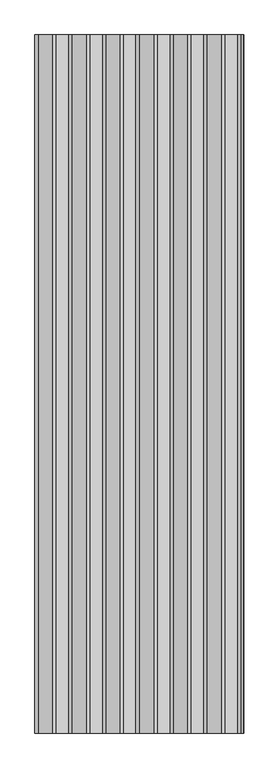
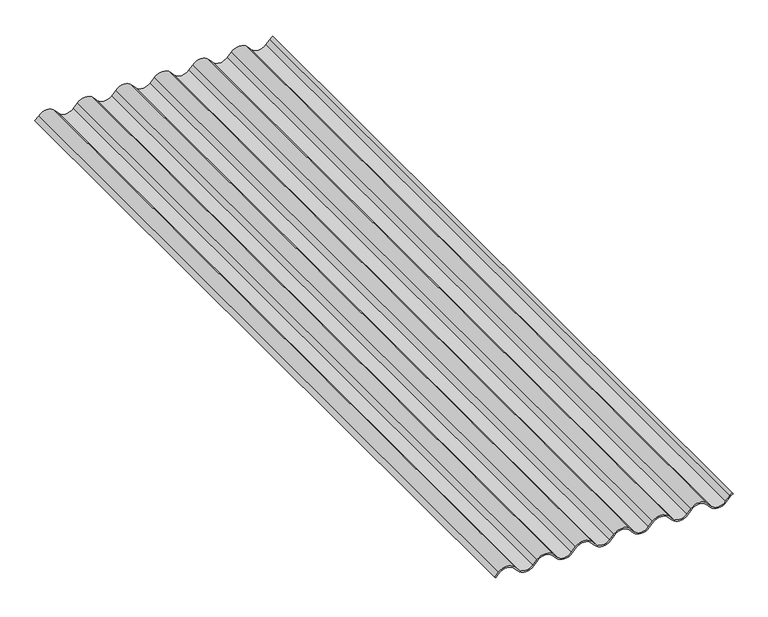
"""IFC4 building model written with IfcOpenShell, lengths in millimetres: proxy geometry."""

from ifc_helpers import new_model, si_unit, point, frame, frame_2d, origin, place, context, project, spatial, polyline, circle_curve, trimmed, segment, composite_curve, outline, extrude, source, transform, mapped, element, save


def generic_models_65eacd85(model_context):
    return source(origin(), model_context, "Body", "SweptSolid", [
        extrude(outline(composite_curve([segment(trimmed(circle_curve(frame_2d((50.0, 501.6424737)), 44.0), [point((20.2740309, 534.0826765))], [point((20.2740309, 469.2022709))], True, "CARTESIAN"), True, "CONTINUOUS"), segment(polyline([(20.2740309, 469.2022709), (40.4551006, 450.7436179)]), True, "CONTINUOUS"), segment(trimmed(circle_curve(frame_2d((6.0, 413.1424737)), 51.0), [point((40.4551006, 450.7436179))], [point((40.4551006, 375.5413295))], False, "CARTESIAN"), True, "CONTINUOUS"), segment(polyline([(40.4551006, 375.5413295), (20.2740309, 357.0826765)]), True, "CONTINUOUS"), segment(trimmed(circle_curve(frame_2d((50.0, 324.6424737)), 44.0), [point((20.2740309, 357.0826765))], [point((20.2740309, 292.2022709))], True, "CARTESIAN"), True, "CONTINUOUS"), segment(polyline([(20.2740309, 292.2022709), (40.4551006, 273.7436179)]), True, "CONTINUOUS"), segment(trimmed(circle_curve(frame_2d((6.0, 236.1424737)), 51.0), [point((40.4551006, 273.7436179))], [point((40.4551006, 198.5413295))], False, "CARTESIAN"), True, "CONTINUOUS"), segment(polyline([(40.4551006, 198.5413295), (20.2740309, 180.0826765)]), True, "CONTINUOUS"), segment(trimmed(circle_curve(frame_2d((50.0, 147.6424737)), 44.0), [point((20.2740309, 180.0826765))], [point((20.2740309, 115.2022709))], True, "CARTESIAN"), True, "CONTINUOUS"), segment(polyline([(20.2740309, 115.2022709), (40.4551006, 96.7436179)]), True, "CONTINUOUS"), segment(trimmed(circle_curve(frame_2d((6.0, 59.1424737)), 51.0), [point((40.4551006, 96.7436179))], [point((40.4551006, 21.5413295))], False, "CARTESIAN"), True, "CONTINUOUS"), segment(polyline([(40.4551006, 21.5413295), (22.370264, 5.0), (18.3207659, 9.4273655), (36.4035168, 25.9667873)]), True, "CONTINUOUS"), segment(trimmed(circle_curve(frame_2d((6.0, 59.1424737)), 45.0), [point((36.4035168, 25.9667873))], [point((36.4035168, 92.31816))], True, "CARTESIAN"), True, "CONTINUOUS"), segment(polyline([(36.4035168, 92.31816), (16.222575, 110.7766961)]), True, "CONTINUOUS"), segment(trimmed(circle_curve(frame_2d((50.0, 147.6424737)), 50.0), [point((16.222575, 110.7766961))], [point((16.222575, 184.5082513))], False, "CARTESIAN"), True, "CONTINUOUS"), segment(polyline([(16.222575, 184.5082513), (36.4035168, 202.9667873)]), True, "CONTINUOUS"), segment(trimmed(circle_curve(frame_2d((6.0, 236.1424737)), 45.0), [point((36.4035168, 202.9667873))], [point((36.4035168, 269.31816))], True, "CARTESIAN"), True, "CONTINUOUS"), segment(polyline([(36.4035168, 269.31816), (16.222575, 287.7766961)]), True, "CONTINUOUS"), segment(trimmed(circle_curve(frame_2d((50.0, 324.6424737)), 50.0), [point((16.222575, 287.7766961))], [point((16.222575, 361.5082513))], False, "CARTESIAN"), True, "CONTINUOUS"), segment(polyline([(16.222575, 361.5082513), (36.4035168, 379.9667873)]), True, "CONTINUOUS"), segment(trimmed(circle_curve(frame_2d((6.0, 413.1424737)), 45.0), [point((36.4035168, 379.9667873))], [point((36.4035168, 446.31816))], True, "CARTESIAN"), True, "CONTINUOUS"), segment(polyline([(36.4035168, 446.31816), (16.222575, 464.7766961)]), True, "CONTINUOUS"), segment(trimmed(circle_curve(frame_2d((50.0, 501.6424737)), 50.0), [point((16.222575, 464.7766961))], [point((16.222575, 538.5082513))], False, "CARTESIAN"), True, "CONTINUOUS"), segment(polyline([(16.222575, 538.5082513), (36.4035168, 556.9667873)]), True, "CONTINUOUS"), segment(trimmed(circle_curve(frame_2d((6.0, 590.1424737)), 45.0), [point((36.4035168, 556.9667873))], [point((36.4035168, 623.31816))], True, "CARTESIAN"), True, "CONTINUOUS"), segment(polyline([(36.4035168, 623.31816), (16.222575, 641.7766961)]), True, "CONTINUOUS"), segment(trimmed(circle_curve(frame_2d((50.0, 678.6424737)), 50.0), [point((16.222575, 641.7766961))], [point((16.222575, 715.5082513))], False, "CARTESIAN"), True, "CONTINUOUS"), segment(polyline([(16.222575, 715.5082513), (36.4035168, 733.9667873)]), True, "CONTINUOUS"), segment(trimmed(circle_curve(frame_2d((6.0, 767.1424737)), 45.0), [point((36.4035168, 733.9667873))], [point((36.4035168, 800.31816))], True, "CARTESIAN"), True, "CONTINUOUS"), segment(polyline([(36.4035168, 800.31816), (16.222575, 818.7766961)]), True, "CONTINUOUS"), segment(trimmed(circle_curve(frame_2d((50.0, 855.6424737)), 50.0), [point((16.222575, 818.7766961))], [point((16.222575, 892.5082513))], False, "CARTESIAN"), True, "CONTINUOUS"), segment(polyline([(16.222575, 892.5082513), (36.4035168, 910.9667873)]), True, "CONTINUOUS"), segment(trimmed(circle_curve(frame_2d((6.0, 944.1424737)), 45.0), [point((36.4035168, 910.9667873))], [point((36.4035166, 977.3181602))], True, "CARTESIAN"), True, "CONTINUOUS"), segment(polyline([(36.4035166, 977.3181602), (16.2185316, 995.7803977)]), True, "CONTINUOUS"), segment(trimmed(circle_curve(frame_2d((49.9959568, 1032.6461752)), 50.0), [point((16.2185316, 995.7803977))], [point((16.2185318, 1069.5119528))], False, "CARTESIAN"), True, "CONTINUOUS"), segment(polyline([(16.2185318, 1069.5119528), (36.3994737, 1087.9704888)]), True, "CONTINUOUS"), segment(trimmed(circle_curve(frame_2d((5.9959568, 1121.1461752)), 45.0), [point((36.3994737, 1087.9704888))], [point((45.7179819, 1100.0))], True, "CARTESIAN"), True, "CONTINUOUS"), segment(polyline([(45.7179819, 1100.0), (51.0142519, 1097.18051)]), True, "CONTINUOUS"), segment(trimmed(circle_curve(frame_2d((5.9959568, 1121.1461752)), 51.0), [point((51.0142519, 1097.18051))], [point((40.4510574, 1083.545031))], False, "CARTESIAN"), True, "CONTINUOUS"), segment(polyline([(40.4510574, 1083.545031), (20.2699877, 1065.086378)]), True, "CONTINUOUS"), segment(trimmed(circle_curve(frame_2d((49.9959568, 1032.6461752)), 44.0), [point((20.2699877, 1065.086378))], [point((20.2699877, 1000.2059723))], True, "CARTESIAN"), True, "CONTINUOUS"), segment(polyline([(20.2699877, 1000.2059723), (40.4551006, 981.7436179)]), True, "CONTINUOUS"), segment(trimmed(circle_curve(frame_2d((6.0, 944.1424737)), 51.0), [point((40.4551006, 981.7436179))], [point((40.4551006, 906.5413295))], False, "CARTESIAN"), True, "CONTINUOUS"), segment(polyline([(40.4551006, 906.5413295), (20.2740309, 888.0826765)]), True, "CONTINUOUS"), segment(trimmed(circle_curve(frame_2d((50.0, 855.6424737)), 44.0), [point((20.2740309, 888.0826765))], [point((20.2740309, 823.2022709))], True, "CARTESIAN"), True, "CONTINUOUS"), segment(polyline([(20.2740309, 823.2022709), (40.4551006, 804.7436179)]), True, "CONTINUOUS"), segment(trimmed(circle_curve(frame_2d((6.0, 767.1424737)), 51.0), [point((40.4551006, 804.7436179))], [point((40.4551006, 729.5413295))], False, "CARTESIAN"), True, "CONTINUOUS"), segment(polyline([(40.4551006, 729.5413295), (20.2740309, 711.0826765)]), True, "CONTINUOUS"), segment(trimmed(circle_curve(frame_2d((50.0, 678.6424737)), 44.0), [point((20.2740309, 711.0826765))], [point((20.2740309, 646.2022709))], True, "CARTESIAN"), True, "CONTINUOUS"), segment(polyline([(20.2740309, 646.2022709), (40.4551006, 627.7436179)]), True, "CONTINUOUS"), segment(trimmed(circle_curve(frame_2d((6.0, 590.1424737)), 51.0), [point((40.4551006, 627.7436179))], [point((40.4551006, 552.5413295))], False, "CARTESIAN"), True, "CONTINUOUS"), segment(polyline([(40.4551006, 552.5413295), (20.2740309, 534.0826765)]), True, "CONTINUOUS")], self_intersect=False)), frame((0.0, 0.0, 0.0), z_axis=(0.0, 1.0, 0.0), x_axis=(0.0, 0.0, 1.0)), (0.0, 0.0, 1.0), 3660.0),
    ])


if __name__ == "__main__":
    model = new_model("IFC4")
    model_context = context("Model", 3, world=origin())
    ifc_project = project(units=[si_unit("LENGTHUNIT", "METRE", prefix="MILLI")], contexts=[model_context])
    site = spatial("IfcSite", under=ifc_project)
    building = spatial("IfcBuilding", under=site)
    placement = place(None, origin())
    generic_models_shape = generic_models_65eacd85(model_context)
    element("IfcBuildingElementProxy", 1, Name="Generic Models", at=placement, inside=building, context=model_context, shape_type="MappedRepresentation", body=[
        mapped(generic_models_shape, transform((0.0, 0.0, 0.0), x_axis=(1.0, 0.0, 0.0), y_axis=(0.0, 1.0, 0.0), z_axis=(0.0, 0.0, 1.0))),
    ])
    save(model, "model.ifc")
